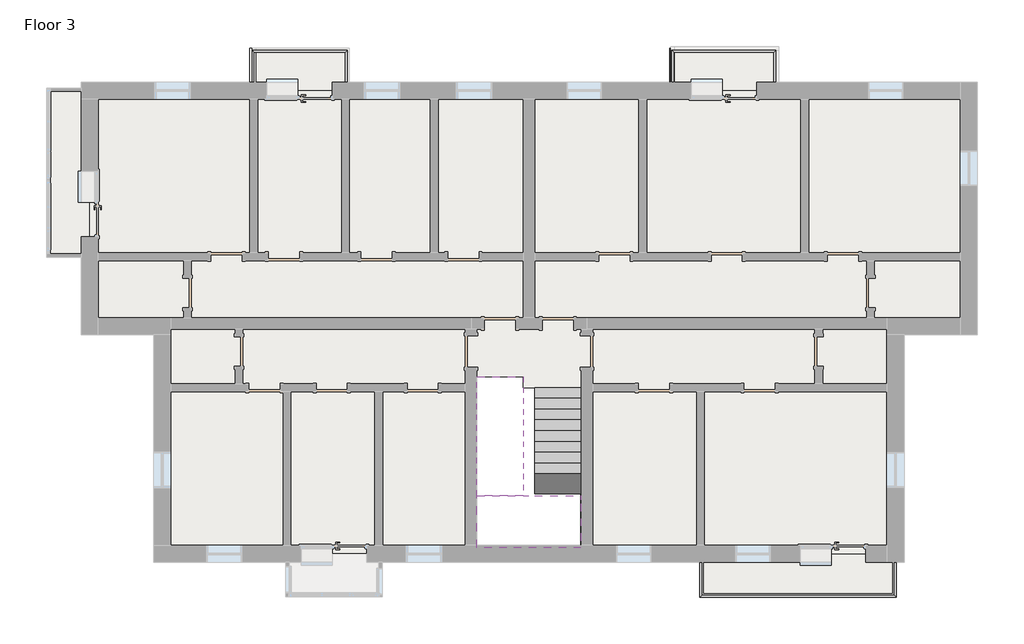
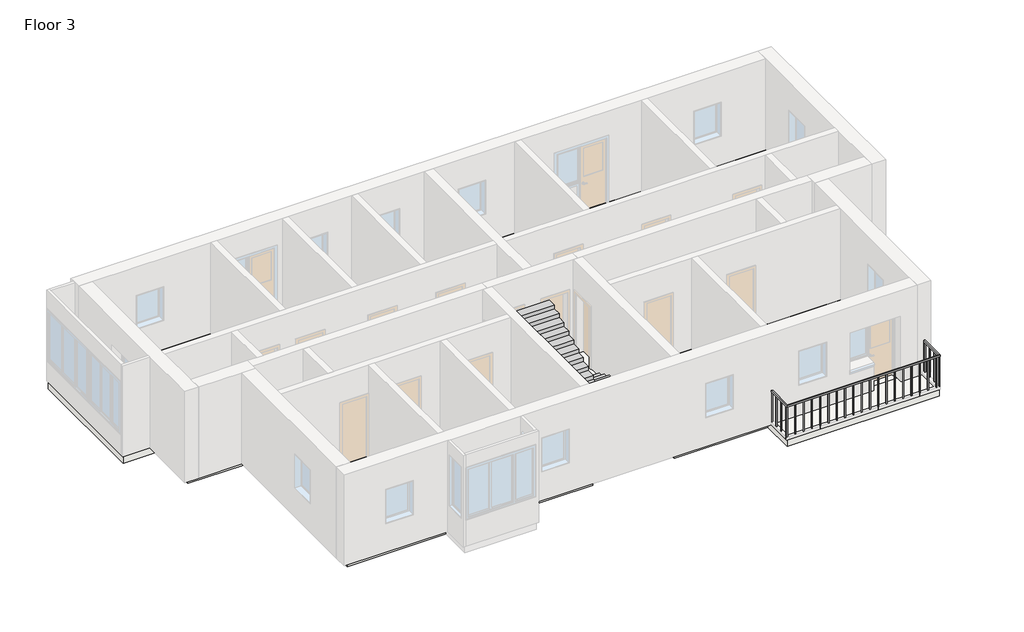
# One storey, part 3 of 3: 6 slabs, 3 railings, 2 stair flights.
"""IFC4 building model written with IfcOpenShell, lengths in millimetres."""

from ifc_helpers import new_model, si_unit, frame, origin, place, context, project, spatial, polyline, outline, extrude, faceted_brep, element, save

model = new_model("IFC4")

# Units and contexts
model_context = context("Model", 3, world=origin())
ifc_project = project(units=[si_unit("LENGTHUNIT", "METRE", prefix="MILLI")], contexts=[model_context])

# Site, building, storey
site = spatial("IfcSite", under=ifc_project)
building = spatial("IfcBuilding", under=site)
storey = spatial("IfcBuildingStorey", under=building, Name="Floor 3", Elevation=6400.0)

# Railings
placement = place(None, origin())
element("IfcRailing", 1, at=placement, inside=storey, context=model_context, shape_type="SolidModel", body=[
    faceted_brep([(-7305.7410247, -3724.7980841, 7600.0), (-7305.7410247, -3724.7980841, 7550.0), (-7255.7410247, -3724.7980841, 7550.0), (-7255.7410247, -3724.7980841, 7600.0), (-7305.7410247, -2824.8093829, 7600.0), (-7305.7410247, -2824.8093829, 7550.0), (-7255.7410247, -2874.8093829, 7550.0), (-7255.7410247, -2874.8093829, 7600.0), (-4835.7410247, -2824.8093829, 7600.0), (-4835.7410247, -2824.8093829, 7550.0), (-4885.7410247, -2874.8093829, 7550.0), (-4885.7410247, -2874.8093829, 7600.0), (-4835.7410247, -3724.7980841, 7600.0), (-4885.7410247, -3724.7980841, 7600.0), (-4885.7410247, -3724.7980841, 7550.0), (-4835.7410247, -3724.7980841, 7550.0)], [[[0, 1, 2, 3]], [[1, 0, 4, 5]], [[2, 1, 5, 6]], [[3, 2, 6, 7]], [[0, 3, 7, 4]], [[5, 4, 8, 9]], [[6, 5, 9, 10]], [[7, 6, 10, 11]], [[4, 7, 11, 8]], [[12, 13, 14, 15]], [[9, 8, 12, 15]], [[10, 9, 15, 14]], [[11, 10, 14, 13]], [[8, 11, 13, 12]]]),
    extrude(outline(polyline([(-4873.2410247, -3662.3093829), (-4848.2410247, -3662.3093829), (-4848.2410247, -3687.3093829), (-4873.2410247, -3687.3093829), (-4873.2410247, -3662.3093829)])), frame((0.0, 0.0, 6400.0), z_axis=(0.0, 0.0, 1.0), x_axis=(1.0, 0.0, 0.0)), (0.0, 0.0, 1.0), 1150.0),
    extrude(outline(polyline([(-4873.2410247, -3387.3093829), (-4848.2410247, -3387.3093829), (-4848.2410247, -3412.3093829), (-4873.2410247, -3412.3093829), (-4873.2410247, -3387.3093829)])), frame((0.0, 0.0, 6400.0), z_axis=(0.0, 0.0, 1.0), x_axis=(1.0, 0.0, 0.0)), (0.0, 0.0, 1.0), 1150.0),
    extrude(outline(polyline([(-4873.2410247, -3112.3093829), (-4848.2410247, -3112.3093829), (-4848.2410247, -3137.3093829), (-4873.2410247, -3137.3093829), (-4873.2410247, -3112.3093829)])), frame((0.0, 0.0, 6400.0), z_axis=(0.0, 0.0, 1.0), x_axis=(1.0, 0.0, 0.0)), (0.0, 0.0, 1.0), 1150.0),
    extrude(outline(polyline([(-5093.2410247, -2862.3093829), (-5093.2410247, -2837.3093829), (-5068.2410247, -2837.3093829), (-5068.2410247, -2862.3093829), (-5093.2410247, -2862.3093829)])), frame((0.0, 0.0, 6400.0), z_axis=(0.0, 0.0, 1.0), x_axis=(1.0, 0.0, 0.0)), (0.0, 0.0, 1.0), 1150.0),
    extrude(outline(polyline([(-5368.2410247, -2862.3093829), (-5368.2410247, -2837.3093829), (-5343.2410247, -2837.3093829), (-5343.2410247, -2862.3093829), (-5368.2410247, -2862.3093829)])), frame((0.0, 0.0, 6400.0), z_axis=(0.0, 0.0, 1.0), x_axis=(1.0, 0.0, 0.0)), (0.0, 0.0, 1.0), 1150.0),
    extrude(outline(polyline([(-5643.2410247, -2862.3093829), (-5643.2410247, -2837.3093829), (-5618.2410247, -2837.3093829), (-5618.2410247, -2862.3093829), (-5643.2410247, -2862.3093829)])), frame((0.0, 0.0, 6400.0), z_axis=(0.0, 0.0, 1.0), x_axis=(1.0, 0.0, 0.0)), (0.0, 0.0, 1.0), 1150.0),
    extrude(outline(polyline([(-5918.2410247, -2862.3093829), (-5918.2410247, -2837.3093829), (-5893.2410247, -2837.3093829), (-5893.2410247, -2862.3093829), (-5918.2410247, -2862.3093829)])), frame((0.0, 0.0, 6400.0), z_axis=(0.0, 0.0, 1.0), x_axis=(1.0, 0.0, 0.0)), (0.0, 0.0, 1.0), 1150.0),
    extrude(outline(polyline([(-6193.2410247, -2862.3093829), (-6193.2410247, -2837.3093829), (-6168.2410247, -2837.3093829), (-6168.2410247, -2862.3093829), (-6193.2410247, -2862.3093829)])), frame((0.0, 0.0, 6400.0), z_axis=(0.0, 0.0, 1.0), x_axis=(1.0, 0.0, 0.0)), (0.0, 0.0, 1.0), 1150.0),
    extrude(outline(polyline([(-6468.2410247, -2862.3093829), (-6468.2410247, -2837.3093829), (-6443.2410247, -2837.3093829), (-6443.2410247, -2862.3093829), (-6468.2410247, -2862.3093829)])), frame((0.0, 0.0, 6400.0), z_axis=(0.0, 0.0, 1.0), x_axis=(1.0, 0.0, 0.0)), (0.0, 0.0, 1.0), 1150.0),
    extrude(outline(polyline([(-6743.2410247, -2862.3093829), (-6743.2410247, -2837.3093829), (-6718.2410247, -2837.3093829), (-6718.2410247, -2862.3093829), (-6743.2410247, -2862.3093829)])), frame((0.0, 0.0, 6400.0), z_axis=(0.0, 0.0, 1.0), x_axis=(1.0, 0.0, 0.0)), (0.0, 0.0, 1.0), 1150.0),
    extrude(outline(polyline([(-7018.2410247, -2862.3093829), (-7018.2410247, -2837.3093829), (-6993.2410247, -2837.3093829), (-6993.2410247, -2862.3093829), (-7018.2410247, -2862.3093829)])), frame((0.0, 0.0, 6400.0), z_axis=(0.0, 0.0, 1.0), x_axis=(1.0, 0.0, 0.0)), (0.0, 0.0, 1.0), 1150.0),
    extrude(outline(polyline([(-7268.2410247, -2912.2980841), (-7293.2410247, -2912.2980841), (-7293.2410247, -2887.2980841), (-7268.2410247, -2887.2980841), (-7268.2410247, -2912.2980841)])), frame((0.0, 0.0, 6400.0), z_axis=(0.0, 0.0, 1.0), x_axis=(1.0, 0.0, 0.0)), (0.0, 0.0, 1.0), 1150.0),
    extrude(outline(polyline([(-7268.2410247, -3187.2980841), (-7293.2410247, -3187.2980841), (-7293.2410247, -3162.2980841), (-7268.2410247, -3162.2980841), (-7268.2410247, -3187.2980841)])), frame((0.0, 0.0, 6400.0), z_axis=(0.0, 0.0, 1.0), x_axis=(1.0, 0.0, 0.0)), (0.0, 0.0, 1.0), 1150.0),
    extrude(outline(polyline([(-7268.2410247, -3462.2980841), (-7293.2410247, -3462.2980841), (-7293.2410247, -3437.2980841), (-7268.2410247, -3437.2980841), (-7268.2410247, -3462.2980841)])), frame((0.0, 0.0, 6400.0), z_axis=(0.0, 0.0, 1.0), x_axis=(1.0, 0.0, 0.0)), (0.0, 0.0, 1.0), 1150.0),
    extrude(outline(polyline([(-4873.2410247, -2862.3093829), (-4873.2410247, -2837.3093829), (-4848.2410247, -2837.3093829), (-4848.2410247, -2862.3093829), (-4873.2410247, -2862.3093829)])), frame((0.0, 0.0, 6400.0), z_axis=(0.0, 0.0, 1.0), x_axis=(1.0, 0.0, 0.0)), (0.0, 0.0, 1.0), 1150.0),
    extrude(outline(polyline([(-7268.2410247, -2862.3093829), (-7293.2410247, -2862.3093829), (-7293.2410247, -2837.3093829), (-7268.2410247, -2837.3093829), (-7268.2410247, -2862.3093829)])), frame((0.0, 0.0, 6400.0), z_axis=(0.0, 0.0, 1.0), x_axis=(1.0, 0.0, 0.0)), (0.0, 0.0, 1.0), 1150.0),
    extrude(outline(polyline([(-4873.2410247, -3699.7980841), (-4848.2410247, -3699.7980841), (-4848.2410247, -3724.7980841), (-4873.2410247, -3724.7980841), (-4873.2410247, -3699.7980841)])), frame((0.0, 0.0, 6400.0), z_axis=(0.0, 0.0, 1.0), x_axis=(1.0, 0.0, 0.0)), (0.0, 0.0, 1.0), 1150.0),
    extrude(outline(polyline([(-7268.2410247, -3724.7980841), (-7293.2410247, -3724.7980841), (-7293.2410247, -3699.7980841), (-7268.2410247, -3699.7980841), (-7268.2410247, -3724.7980841)])), frame((0.0, 0.0, 6400.0), z_axis=(0.0, 0.0, 1.0), x_axis=(1.0, 0.0, 0.0)), (0.0, 0.0, 1.0), 1150.0),
])
element("IfcRailing", 2, at=placement, inside=storey, context=model_context, shape_type="SolidModel", body=[
    faceted_brep([(3569.2589753, -3724.7980841, 7600.0), (3569.2589753, -3724.7980841, 7550.0), (3619.2589753, -3724.7980841, 7550.0), (3619.2589753, -3724.7980841, 7600.0), (3569.2589753, -2824.8093829, 7600.0), (3569.2589753, -2824.8093829, 7550.0), (3619.2589753, -2874.8093829, 7550.0), (3619.2589753, -2874.8093829, 7600.0), (6269.2589753, -2824.8093829, 7600.0), (6269.2589753, -2824.8093829, 7550.0), (6219.2589753, -2874.8093829, 7550.0), (6219.2589753, -2874.8093829, 7600.0), (6269.2589753, -3724.7980841, 7600.0), (6219.2589753, -3724.7980841, 7600.0), (6219.2589753, -3724.7980841, 7550.0), (6269.2589753, -3724.7980841, 7550.0)], [[[0, 1, 2, 3]], [[1, 0, 4, 5]], [[2, 1, 5, 6]], [[3, 2, 6, 7]], [[0, 3, 7, 4]], [[5, 4, 8, 9]], [[6, 5, 9, 10]], [[7, 6, 10, 11]], [[4, 7, 11, 8]], [[12, 13, 14, 15]], [[9, 8, 12, 15]], [[10, 9, 15, 14]], [[11, 10, 14, 13]], [[8, 11, 13, 12]]]),
    extrude(outline(polyline([(6231.7589753, -3662.3093829), (6256.7589753, -3662.3093829), (6256.7589753, -3687.3093829), (6231.7589753, -3687.3093829), (6231.7589753, -3662.3093829)])), frame((0.0, 0.0, 6400.0), z_axis=(0.0, 0.0, 1.0), x_axis=(1.0, 0.0, 0.0)), (0.0, 0.0, 1.0), 1150.0),
    extrude(outline(polyline([(6231.7589753, -3387.3093829), (6256.7589753, -3387.3093829), (6256.7589753, -3412.3093829), (6231.7589753, -3412.3093829), (6231.7589753, -3387.3093829)])), frame((0.0, 0.0, 6400.0), z_axis=(0.0, 0.0, 1.0), x_axis=(1.0, 0.0, 0.0)), (0.0, 0.0, 1.0), 1150.0),
    extrude(outline(polyline([(6231.7589753, -3112.3093829), (6256.7589753, -3112.3093829), (6256.7589753, -3137.3093829), (6231.7589753, -3137.3093829), (6231.7589753, -3112.3093829)])), frame((0.0, 0.0, 6400.0), z_axis=(0.0, 0.0, 1.0), x_axis=(1.0, 0.0, 0.0)), (0.0, 0.0, 1.0), 1150.0),
    extrude(outline(polyline([(6056.7589753, -2862.3093829), (6056.7589753, -2837.3093829), (6081.7589753, -2837.3093829), (6081.7589753, -2862.3093829), (6056.7589753, -2862.3093829)])), frame((0.0, 0.0, 6400.0), z_axis=(0.0, 0.0, 1.0), x_axis=(1.0, 0.0, 0.0)), (0.0, 0.0, 1.0), 1150.0),
    extrude(outline(polyline([(5781.7589753, -2862.3093829), (5781.7589753, -2837.3093829), (5806.7589753, -2837.3093829), (5806.7589753, -2862.3093829), (5781.7589753, -2862.3093829)])), frame((0.0, 0.0, 6400.0), z_axis=(0.0, 0.0, 1.0), x_axis=(1.0, 0.0, 0.0)), (0.0, 0.0, 1.0), 1150.0),
    extrude(outline(polyline([(5506.7589753, -2862.3093829), (5506.7589753, -2837.3093829), (5531.7589753, -2837.3093829), (5531.7589753, -2862.3093829), (5506.7589753, -2862.3093829)])), frame((0.0, 0.0, 6400.0), z_axis=(0.0, 0.0, 1.0), x_axis=(1.0, 0.0, 0.0)), (0.0, 0.0, 1.0), 1150.0),
    extrude(outline(polyline([(5231.7589753, -2862.3093829), (5231.7589753, -2837.3093829), (5256.7589753, -2837.3093829), (5256.7589753, -2862.3093829), (5231.7589753, -2862.3093829)])), frame((0.0, 0.0, 6400.0), z_axis=(0.0, 0.0, 1.0), x_axis=(1.0, 0.0, 0.0)), (0.0, 0.0, 1.0), 1150.0),
    extrude(outline(polyline([(4956.7589753, -2862.3093829), (4956.7589753, -2837.3093829), (4981.7589753, -2837.3093829), (4981.7589753, -2862.3093829), (4956.7589753, -2862.3093829)])), frame((0.0, 0.0, 6400.0), z_axis=(0.0, 0.0, 1.0), x_axis=(1.0, 0.0, 0.0)), (0.0, 0.0, 1.0), 1150.0),
    extrude(outline(polyline([(4681.7589753, -2862.3093829), (4681.7589753, -2837.3093829), (4706.7589753, -2837.3093829), (4706.7589753, -2862.3093829), (4681.7589753, -2862.3093829)])), frame((0.0, 0.0, 6400.0), z_axis=(0.0, 0.0, 1.0), x_axis=(1.0, 0.0, 0.0)), (0.0, 0.0, 1.0), 1150.0),
    extrude(outline(polyline([(4406.7589753, -2862.3093829), (4406.7589753, -2837.3093829), (4431.7589753, -2837.3093829), (4431.7589753, -2862.3093829), (4406.7589753, -2862.3093829)])), frame((0.0, 0.0, 6400.0), z_axis=(0.0, 0.0, 1.0), x_axis=(1.0, 0.0, 0.0)), (0.0, 0.0, 1.0), 1150.0),
    extrude(outline(polyline([(4131.7589753, -2862.3093829), (4131.7589753, -2837.3093829), (4156.7589753, -2837.3093829), (4156.7589753, -2862.3093829), (4131.7589753, -2862.3093829)])), frame((0.0, 0.0, 6400.0), z_axis=(0.0, 0.0, 1.0), x_axis=(1.0, 0.0, 0.0)), (0.0, 0.0, 1.0), 1150.0),
    extrude(outline(polyline([(3856.7589753, -2862.3093829), (3856.7589753, -2837.3093829), (3881.7589753, -2837.3093829), (3881.7589753, -2862.3093829), (3856.7589753, -2862.3093829)])), frame((0.0, 0.0, 6400.0), z_axis=(0.0, 0.0, 1.0), x_axis=(1.0, 0.0, 0.0)), (0.0, 0.0, 1.0), 1150.0),
    extrude(outline(polyline([(3606.7589753, -2912.2980841), (3581.7589753, -2912.2980841), (3581.7589753, -2887.2980841), (3606.7589753, -2887.2980841), (3606.7589753, -2912.2980841)])), frame((0.0, 0.0, 6400.0), z_axis=(0.0, 0.0, 1.0), x_axis=(1.0, 0.0, 0.0)), (0.0, 0.0, 1.0), 1150.0),
    extrude(outline(polyline([(3606.7589753, -3187.2980841), (3581.7589753, -3187.2980841), (3581.7589753, -3162.2980841), (3606.7589753, -3162.2980841), (3606.7589753, -3187.2980841)])), frame((0.0, 0.0, 6400.0), z_axis=(0.0, 0.0, 1.0), x_axis=(1.0, 0.0, 0.0)), (0.0, 0.0, 1.0), 1150.0),
    extrude(outline(polyline([(3606.7589753, -3462.2980841), (3581.7589753, -3462.2980841), (3581.7589753, -3437.2980841), (3606.7589753, -3437.2980841), (3606.7589753, -3462.2980841)])), frame((0.0, 0.0, 6400.0), z_axis=(0.0, 0.0, 1.0), x_axis=(1.0, 0.0, 0.0)), (0.0, 0.0, 1.0), 1150.0),
    extrude(outline(polyline([(6231.7589753, -2862.3093829), (6231.7589753, -2837.3093829), (6256.7589753, -2837.3093829), (6256.7589753, -2862.3093829), (6231.7589753, -2862.3093829)])), frame((0.0, 0.0, 6400.0), z_axis=(0.0, 0.0, 1.0), x_axis=(1.0, 0.0, 0.0)), (0.0, 0.0, 1.0), 1150.0),
    extrude(outline(polyline([(3606.7589753, -2862.3093829), (3581.7589753, -2862.3093829), (3581.7589753, -2837.3093829), (3606.7589753, -2837.3093829), (3606.7589753, -2862.3093829)])), frame((0.0, 0.0, 6400.0), z_axis=(0.0, 0.0, 1.0), x_axis=(1.0, 0.0, 0.0)), (0.0, 0.0, 1.0), 1150.0),
    extrude(outline(polyline([(6231.7589753, -3699.7980841), (6256.7589753, -3699.7980841), (6256.7589753, -3724.7980841), (6231.7589753, -3724.7980841), (6231.7589753, -3699.7980841)])), frame((0.0, 0.0, 6400.0), z_axis=(0.0, 0.0, 1.0), x_axis=(1.0, 0.0, 0.0)), (0.0, 0.0, 1.0), 1150.0),
    extrude(outline(polyline([(3606.7589753, -3724.7980841), (3581.7589753, -3724.7980841), (3581.7589753, -3699.7980841), (3606.7589753, -3699.7980841), (3606.7589753, -3724.7980841)])), frame((0.0, 0.0, 6400.0), z_axis=(0.0, 0.0, 1.0), x_axis=(1.0, 0.0, 0.0)), (0.0, 0.0, 1.0), 1150.0),
])
element("IfcRailing", 3, at=placement, inside=storey, context=model_context, shape_type="SolidModel", body=[
    faceted_brep([(4344.2589753, -16099.7980841, 7600.0), (4344.2589753, -16099.7980841, 7550.0), (4294.2589753, -16099.7980841, 7550.0), (4294.2589753, -16099.7980841, 7600.0), (4344.2589753, -16949.7980841, 7600.0), (4344.2589753, -16949.7980841, 7550.0), (4294.2589753, -16999.7980841, 7550.0), (4294.2589753, -16999.7980841, 7600.0), (9344.2589753, -16949.7980841, 7600.0), (9344.2589753, -16949.7980841, 7550.0), (9394.2589753, -16999.7980841, 7550.0), (9394.2589753, -16999.7980841, 7600.0), (9344.2589753, -16099.7980841, 7600.0), (9394.2589753, -16099.7980841, 7600.0), (9394.2589753, -16099.7980841, 7550.0), (9344.2589753, -16099.7980841, 7550.0)], [[[0, 1, 2, 3]], [[1, 0, 4, 5]], [[2, 1, 5, 6]], [[3, 2, 6, 7]], [[0, 3, 7, 4]], [[5, 4, 8, 9]], [[6, 5, 9, 10]], [[7, 6, 10, 11]], [[4, 7, 11, 8]], [[12, 13, 14, 15]], [[9, 8, 12, 15]], [[10, 9, 15, 14]], [[11, 10, 14, 13]], [[8, 11, 13, 12]]]),
    extrude(outline(polyline([(9381.7589753, -16162.2980841), (9356.7589753, -16162.2980841), (9356.7589753, -16137.2980841), (9381.7589753, -16137.2980841), (9381.7589753, -16162.2980841)])), frame((0.0, 0.0, 6400.0), z_axis=(0.0, 0.0, 1.0), x_axis=(1.0, 0.0, 0.0)), (0.0, 0.0, 1.0), 1150.0),
    extrude(outline(polyline([(9381.7589753, -16437.2980841), (9356.7589753, -16437.2980841), (9356.7589753, -16412.2980841), (9381.7589753, -16412.2980841), (9381.7589753, -16437.2980841)])), frame((0.0, 0.0, 6400.0), z_axis=(0.0, 0.0, 1.0), x_axis=(1.0, 0.0, 0.0)), (0.0, 0.0, 1.0), 1150.0),
    extrude(outline(polyline([(9381.7589753, -16712.2980841), (9356.7589753, -16712.2980841), (9356.7589753, -16687.2980841), (9381.7589753, -16687.2980841), (9381.7589753, -16712.2980841)])), frame((0.0, 0.0, 6400.0), z_axis=(0.0, 0.0, 1.0), x_axis=(1.0, 0.0, 0.0)), (0.0, 0.0, 1.0), 1150.0),
    extrude(outline(polyline([(9256.7589753, -16987.2980841), (9256.7589753, -16962.2980841), (9281.7589753, -16962.2980841), (9281.7589753, -16987.2980841), (9256.7589753, -16987.2980841)])), frame((0.0, 0.0, 6400.0), z_axis=(0.0, 0.0, 1.0), x_axis=(1.0, 0.0, 0.0)), (0.0, 0.0, 1.0), 1150.0),
    extrude(outline(polyline([(8981.7589753, -16987.2980841), (8981.7589753, -16962.2980841), (9006.7589753, -16962.2980841), (9006.7589753, -16987.2980841), (8981.7589753, -16987.2980841)])), frame((0.0, 0.0, 6400.0), z_axis=(0.0, 0.0, 1.0), x_axis=(1.0, 0.0, 0.0)), (0.0, 0.0, 1.0), 1150.0),
    extrude(outline(polyline([(8706.7589753, -16987.2980841), (8706.7589753, -16962.2980841), (8731.7589753, -16962.2980841), (8731.7589753, -16987.2980841), (8706.7589753, -16987.2980841)])), frame((0.0, 0.0, 6400.0), z_axis=(0.0, 0.0, 1.0), x_axis=(1.0, 0.0, 0.0)), (0.0, 0.0, 1.0), 1150.0),
    extrude(outline(polyline([(8431.7589753, -16987.2980841), (8431.7589753, -16962.2980841), (8456.7589753, -16962.2980841), (8456.7589753, -16987.2980841), (8431.7589753, -16987.2980841)])), frame((0.0, 0.0, 6400.0), z_axis=(0.0, 0.0, 1.0), x_axis=(1.0, 0.0, 0.0)), (0.0, 0.0, 1.0), 1150.0),
    extrude(outline(polyline([(8156.7589753, -16987.2980841), (8156.7589753, -16962.2980841), (8181.7589753, -16962.2980841), (8181.7589753, -16987.2980841), (8156.7589753, -16987.2980841)])), frame((0.0, 0.0, 6400.0), z_axis=(0.0, 0.0, 1.0), x_axis=(1.0, 0.0, 0.0)), (0.0, 0.0, 1.0), 1150.0),
    extrude(outline(polyline([(7881.7589753, -16987.2980841), (7881.7589753, -16962.2980841), (7906.7589753, -16962.2980841), (7906.7589753, -16987.2980841), (7881.7589753, -16987.2980841)])), frame((0.0, 0.0, 6400.0), z_axis=(0.0, 0.0, 1.0), x_axis=(1.0, 0.0, 0.0)), (0.0, 0.0, 1.0), 1150.0),
    extrude(outline(polyline([(7606.7589753, -16987.2980841), (7606.7589753, -16962.2980841), (7631.7589753, -16962.2980841), (7631.7589753, -16987.2980841), (7606.7589753, -16987.2980841)])), frame((0.0, 0.0, 6400.0), z_axis=(0.0, 0.0, 1.0), x_axis=(1.0, 0.0, 0.0)), (0.0, 0.0, 1.0), 1150.0),
    extrude(outline(polyline([(7331.7589753, -16987.2980841), (7331.7589753, -16962.2980841), (7356.7589753, -16962.2980841), (7356.7589753, -16987.2980841), (7331.7589753, -16987.2980841)])), frame((0.0, 0.0, 6400.0), z_axis=(0.0, 0.0, 1.0), x_axis=(1.0, 0.0, 0.0)), (0.0, 0.0, 1.0), 1150.0),
    extrude(outline(polyline([(7056.7589753, -16987.2980841), (7056.7589753, -16962.2980841), (7081.7589753, -16962.2980841), (7081.7589753, -16987.2980841), (7056.7589753, -16987.2980841)])), frame((0.0, 0.0, 6400.0), z_axis=(0.0, 0.0, 1.0), x_axis=(1.0, 0.0, 0.0)), (0.0, 0.0, 1.0), 1150.0),
    extrude(outline(polyline([(6781.7589753, -16987.2980841), (6781.7589753, -16962.2980841), (6806.7589753, -16962.2980841), (6806.7589753, -16987.2980841), (6781.7589753, -16987.2980841)])), frame((0.0, 0.0, 6400.0), z_axis=(0.0, 0.0, 1.0), x_axis=(1.0, 0.0, 0.0)), (0.0, 0.0, 1.0), 1150.0),
    extrude(outline(polyline([(6506.7589753, -16987.2980841), (6506.7589753, -16962.2980841), (6531.7589753, -16962.2980841), (6531.7589753, -16987.2980841), (6506.7589753, -16987.2980841)])), frame((0.0, 0.0, 6400.0), z_axis=(0.0, 0.0, 1.0), x_axis=(1.0, 0.0, 0.0)), (0.0, 0.0, 1.0), 1150.0),
    extrude(outline(polyline([(6231.7589753, -16987.2980841), (6231.7589753, -16962.2980841), (6256.7589753, -16962.2980841), (6256.7589753, -16987.2980841), (6231.7589753, -16987.2980841)])), frame((0.0, 0.0, 6400.0), z_axis=(0.0, 0.0, 1.0), x_axis=(1.0, 0.0, 0.0)), (0.0, 0.0, 1.0), 1150.0),
    extrude(outline(polyline([(5956.7589753, -16987.2980841), (5956.7589753, -16962.2980841), (5981.7589753, -16962.2980841), (5981.7589753, -16987.2980841), (5956.7589753, -16987.2980841)])), frame((0.0, 0.0, 6400.0), z_axis=(0.0, 0.0, 1.0), x_axis=(1.0, 0.0, 0.0)), (0.0, 0.0, 1.0), 1150.0),
    extrude(outline(polyline([(5681.7589753, -16987.2980841), (5681.7589753, -16962.2980841), (5706.7589753, -16962.2980841), (5706.7589753, -16987.2980841), (5681.7589753, -16987.2980841)])), frame((0.0, 0.0, 6400.0), z_axis=(0.0, 0.0, 1.0), x_axis=(1.0, 0.0, 0.0)), (0.0, 0.0, 1.0), 1150.0),
    extrude(outline(polyline([(5406.7589753, -16987.2980841), (5406.7589753, -16962.2980841), (5431.7589753, -16962.2980841), (5431.7589753, -16987.2980841), (5406.7589753, -16987.2980841)])), frame((0.0, 0.0, 6400.0), z_axis=(0.0, 0.0, 1.0), x_axis=(1.0, 0.0, 0.0)), (0.0, 0.0, 1.0), 1150.0),
    extrude(outline(polyline([(5131.7589753, -16987.2980841), (5131.7589753, -16962.2980841), (5156.7589753, -16962.2980841), (5156.7589753, -16987.2980841), (5131.7589753, -16987.2980841)])), frame((0.0, 0.0, 6400.0), z_axis=(0.0, 0.0, 1.0), x_axis=(1.0, 0.0, 0.0)), (0.0, 0.0, 1.0), 1150.0),
    extrude(outline(polyline([(4856.7589753, -16987.2980841), (4856.7589753, -16962.2980841), (4881.7589753, -16962.2980841), (4881.7589753, -16987.2980841), (4856.7589753, -16987.2980841)])), frame((0.0, 0.0, 6400.0), z_axis=(0.0, 0.0, 1.0), x_axis=(1.0, 0.0, 0.0)), (0.0, 0.0, 1.0), 1150.0),
    extrude(outline(polyline([(4581.7589753, -16987.2980841), (4581.7589753, -16962.2980841), (4606.7589753, -16962.2980841), (4606.7589753, -16987.2980841), (4581.7589753, -16987.2980841)])), frame((0.0, 0.0, 6400.0), z_axis=(0.0, 0.0, 1.0), x_axis=(1.0, 0.0, 0.0)), (0.0, 0.0, 1.0), 1150.0),
    extrude(outline(polyline([(4306.7589753, -16912.2980841), (4331.7589753, -16912.2980841), (4331.7589753, -16937.2980841), (4306.7589753, -16937.2980841), (4306.7589753, -16912.2980841)])), frame((0.0, 0.0, 6400.0), z_axis=(0.0, 0.0, 1.0), x_axis=(1.0, 0.0, 0.0)), (0.0, 0.0, 1.0), 1150.0),
    extrude(outline(polyline([(4306.7589753, -16637.2980841), (4331.7589753, -16637.2980841), (4331.7589753, -16662.2980841), (4306.7589753, -16662.2980841), (4306.7589753, -16637.2980841)])), frame((0.0, 0.0, 6400.0), z_axis=(0.0, 0.0, 1.0), x_axis=(1.0, 0.0, 0.0)), (0.0, 0.0, 1.0), 1150.0),
    extrude(outline(polyline([(4306.7589753, -16362.2980841), (4331.7589753, -16362.2980841), (4331.7589753, -16387.2980841), (4306.7589753, -16387.2980841), (4306.7589753, -16362.2980841)])), frame((0.0, 0.0, 6400.0), z_axis=(0.0, 0.0, 1.0), x_axis=(1.0, 0.0, 0.0)), (0.0, 0.0, 1.0), 1150.0),
    extrude(outline(polyline([(9356.7589753, -16987.2980841), (9356.7589753, -16962.2980841), (9381.7589753, -16962.2980841), (9381.7589753, -16987.2980841), (9356.7589753, -16987.2980841)])), frame((0.0, 0.0, 6400.0), z_axis=(0.0, 0.0, 1.0), x_axis=(1.0, 0.0, 0.0)), (0.0, 0.0, 1.0), 1150.0),
    extrude(outline(polyline([(4306.7589753, -16962.2980841), (4331.7589753, -16962.2980841), (4331.7589753, -16987.2980841), (4306.7589753, -16987.2980841), (4306.7589753, -16962.2980841)])), frame((0.0, 0.0, 6400.0), z_axis=(0.0, 0.0, 1.0), x_axis=(1.0, 0.0, 0.0)), (0.0, 0.0, 1.0), 1150.0),
    extrude(outline(polyline([(9381.7589753, -16124.7980841), (9356.7589753, -16124.7980841), (9356.7589753, -16099.7980841), (9381.7589753, -16099.7980841), (9381.7589753, -16124.7980841)])), frame((0.0, 0.0, 6400.0), z_axis=(0.0, 0.0, 1.0), x_axis=(1.0, 0.0, 0.0)), (0.0, 0.0, 1.0), 1150.0),
    extrude(outline(polyline([(4306.7589753, -16099.7980841), (4331.7589753, -16099.7980841), (4331.7589753, -16124.7980841), (4306.7589753, -16124.7980841), (4306.7589753, -16099.7980841)])), frame((0.0, 0.0, 6400.0), z_axis=(0.0, 0.0, 1.0), x_axis=(1.0, 0.0, 0.0)), (0.0, 0.0, 1.0), 1150.0),
])

# Slabs
element("IfcSlab", 4, at=placement, inside=storey, context=model_context, shape_type="SweptSolid", body=[
    extrude(outline(polyline([(-4780.7410247, -3874.7980841), (6319.2589753, -3874.7980841), (11269.2589753, -3874.7980841), (11269.2589753, -9904.7980841), (9369.2589753, -9904.7980841), (9369.2589753, -15874.7980841), (1219.2589753, -15874.7980841), (1219.2589753, -11567.416921), (-280.7410247, -11567.416921), (-280.7410247, -11287.416921), (-1480.7410247, -11287.416921), (-1480.7410247, -15874.7980841), (-4000.7410247, -15874.7980841), (-9630.7410247, -15874.7980841), (-9630.7410247, -9979.7980841), (-11510.7410247, -9979.7980841), (-11510.7410247, -3874.7980841), (-4780.7410247, -3874.7980841)])), frame((0.0, 0.0, 6160.0), z_axis=(0.0, 0.0, 1.0), x_axis=(1.0, 0.0, 0.0)), (0.0, 0.0, 1.0), 240.0),
])
element("IfcSlab", 5, at=placement, inside=storey, context=model_context, shape_type="Brep", body=[
    faceted_brep([(1219.2589753, -14367.416921, 7930.4347826), (19.2589753, -14367.416921, 7930.4347826), (-280.7410247, -14367.416921, 7930.4347826), (-1480.7410247, -14367.416921, 7930.4347826), (-1480.7410247, -14432.8286304, 7930.4347826), (-1480.7410247, -15724.7980841, 7930.4347826), (1219.2589753, -15724.7980841, 7930.4347826), (1219.2589753, -14582.0052115, 7930.4347826), (1219.2589753, -14367.416921, 7791.3043478), (1219.2589753, -14367.416921, 7623.8070606), (19.2589753, -14367.416921, 7623.8070606), (19.2589753, -14367.416921, 7730.4347826), (-280.7410247, -14367.416921, 7730.4347826), (-280.7410247, -14367.416921, 7762.9374954), (-1480.7410247, -14367.416921, 7762.9374954), (-1480.7410247, -14432.8286304, 7730.4347826), (-1480.7410247, -15724.7980841, 7730.4347826), (1219.2589753, -15724.7980841, 7730.4347826), (1219.2589753, -14582.0052115, 7730.4347826), (-280.7410247, -14432.8286304, 7730.4347826), (19.2589753, -14582.0052115, 7730.4347826)], [[[0, 1, 2, 3, 4, 5, 6, 7]], [[1, 0, 8, 9, 10, 11]], [[2, 1, 11, 12, 13]], [[3, 2, 13, 14]], [[3, 14, 15, 16, 5, 4]], [[6, 5, 16, 17]], [[9, 8, 0, 7, 6, 17, 18]], [[19, 15, 14, 13]], [[19, 12, 11, 20, 18, 17, 16, 15]], [[12, 19, 13]], [[18, 20, 10, 9]], [[20, 11, 10]]]),
])
element("IfcSlab", 6, at=placement, inside=storey, context=model_context, shape_type="SweptSolid", body=[
    extrude(outline(polyline([(3519.2589753, -2774.8093829), (6319.2589753, -2774.8093829), (6319.2589753, -3874.7980841), (3519.2589753, -3874.7980841), (3519.2589753, -2774.8093829)])), frame((0.0, 0.0, 6160.0), z_axis=(0.0, 0.0, 1.0), x_axis=(1.0, 0.0, 0.0)), (0.0, 0.0, 1.0), 240.0),
])
element("IfcSlab", 7, at=placement, inside=storey, context=model_context, shape_type="SweptSolid", body=[
    extrude(outline(polyline([(4319.2589753, -15874.8093829), (9369.2589753, -15874.8093829), (9369.2589753, -16974.7980841), (4319.2589753, -16974.7980841), (4319.2589753, -15874.8093829)])), frame((0.0, 0.0, 6160.0), z_axis=(0.0, 0.0, 1.0), x_axis=(1.0, 0.0, 0.0)), (0.0, 0.0, 1.0), 240.0),
])
element("IfcSlab", 8, at=placement, inside=storey, context=model_context, shape_type="SweptSolid", body=[
    extrude(outline(polyline([(-7360.7410247, -2774.8093829), (-4780.7410247, -2774.8093829), (-4780.7410247, -3874.7980841), (-7360.7410247, -3874.7980841), (-7360.7410247, -2774.8093829)])), frame((0.0, 0.0, 6160.0), z_axis=(0.0, 0.0, 1.0), x_axis=(1.0, 0.0, 0.0)), (0.0, 0.0, 1.0), 240.0),
])
element("IfcSlab", 9, at=placement, inside=storey, context=model_context, shape_type="SweptSolid", body=[
    extrude(outline(polyline([(-12610.7410247, -3874.7980841), (-11510.7410247, -3874.7980841), (-11510.7410247, -8174.8093829), (-12610.7410247, -8174.8093829), (-12610.7410247, -3874.7980841)])), frame((0.0, 0.0, 6160.0), z_axis=(0.0, 0.0, 1.0), x_axis=(1.0, 0.0, 0.0)), (0.0, 0.0, 1.0), 240.0),
])

# Stair flights
element("IfcStairFlight", 10, at=placement, inside=storey, context=model_context, shape_type="Brep", body=[
    faceted_brep([(1219.2589753, -11847.416921, 6539.1304348), (1219.2589753, -11567.416921, 6539.1304348), (19.2589753, -11567.416921, 6539.1304348), (19.2589753, -11847.416921, 6539.1304348), (1219.2589753, -11847.416921, 6400.0), (1219.2589753, -11567.416921, 6400.0), (19.2589753, -11567.416921, 6400.0), (19.2589753, -11847.416921, 6400.0), (1219.2589753, -12127.416921, 6678.2608696), (1219.2589753, -11847.416921, 6678.2608696), (19.2589753, -11847.416921, 6678.2608696), (19.2589753, -12127.416921, 6678.2608696), (1219.2589753, -12127.416921, 6510.7635823), (1219.2589753, -11904.5052115, 6400.0), (19.2589753, -11904.5052115, 6400.0), (19.2589753, -12127.416921, 6510.7635823), (1219.2589753, -12407.416921, 6817.3913043), (1219.2589753, -12127.416921, 6817.3913043), (19.2589753, -12127.416921, 6817.3913043), (19.2589753, -12407.416921, 6817.3913043), (1219.2589753, -12407.416921, 6649.8940171), (19.2589753, -12407.416921, 6649.8940171), (1219.2589753, -12687.416921, 6956.5217391), (1219.2589753, -12407.416921, 6956.5217391), (19.2589753, -12407.416921, 6956.5217391), (19.2589753, -12687.416921, 6956.5217391), (1219.2589753, -12687.416921, 6789.0244519), (19.2589753, -12687.416921, 6789.0244519), (1219.2589753, -12967.416921, 7095.6521739), (1219.2589753, -12687.416921, 7095.6521739), (19.2589753, -12687.416921, 7095.6521739), (19.2589753, -12967.416921, 7095.6521739), (1219.2589753, -12967.416921, 6928.1548867), (19.2589753, -12967.416921, 6928.1548867), (1219.2589753, -13247.416921, 7234.7826087), (1219.2589753, -12967.416921, 7234.7826087), (19.2589753, -12967.416921, 7234.7826087), (19.2589753, -13247.416921, 7234.7826087), (1219.2589753, -13247.416921, 7067.2853215), (19.2589753, -13247.416921, 7067.2853215), (1219.2589753, -13527.416921, 7373.9130435), (1219.2589753, -13247.416921, 7373.9130435), (19.2589753, -13247.416921, 7373.9130435), (19.2589753, -13527.416921, 7373.9130435), (1219.2589753, -13527.416921, 7206.4157562), (19.2589753, -13527.416921, 7206.4157562), (1219.2589753, -13807.416921, 7513.0434783), (1219.2589753, -13527.416921, 7513.0434783), (19.2589753, -13527.416921, 7513.0434783), (19.2589753, -13807.416921, 7513.0434783), (1219.2589753, -13807.416921, 7345.546191), (19.2589753, -13807.416921, 7345.546191), (1219.2589753, -14087.416921, 7652.173913), (1219.2589753, -13807.416921, 7652.173913), (19.2589753, -13807.416921, 7652.173913), (19.2589753, -14087.416921, 7652.173913), (1219.2589753, -14087.416921, 7484.6766258), (19.2589753, -14087.416921, 7484.6766258), (1219.2589753, -14367.416921, 7791.3043478), (1219.2589753, -14087.416921, 7791.3043478), (19.2589753, -14087.416921, 7791.3043478), (19.2589753, -14367.416921, 7791.3043478), (1219.2589753, -14367.416921, 7623.8070606), (19.2589753, -14367.416921, 7623.8070606), (19.2589753, -14367.416921, 7730.4347826)], [[[0, 1, 2, 3]], [[1, 0, 4, 5]], [[2, 1, 5, 6]], [[3, 2, 6, 7]], [[8, 9, 10, 11]], [[4, 0, 9, 8, 12, 13]], [[0, 3, 10, 9]], [[3, 7, 14, 15, 11, 10]], [[16, 17, 18, 19]], [[17, 16, 20, 12, 8]], [[8, 11, 18, 17]], [[19, 18, 11, 15, 21]], [[22, 23, 24, 25]], [[23, 22, 26, 20, 16]], [[16, 19, 24, 23]], [[25, 24, 19, 21, 27]], [[28, 29, 30, 31]], [[29, 28, 32, 26, 22]], [[22, 25, 30, 29]], [[31, 30, 25, 27, 33]], [[34, 35, 36, 37]], [[35, 34, 38, 32, 28]], [[28, 31, 36, 35]], [[37, 36, 31, 33, 39]], [[40, 41, 42, 43]], [[41, 40, 44, 38, 34]], [[34, 37, 42, 41]], [[43, 42, 37, 39, 45]], [[46, 47, 48, 49]], [[47, 46, 50, 44, 40]], [[40, 43, 48, 47]], [[49, 48, 43, 45, 51]], [[52, 53, 54, 55]], [[53, 52, 56, 50, 46]], [[46, 49, 54, 53]], [[55, 54, 49, 51, 57]], [[58, 59, 60, 61]], [[59, 58, 62, 56, 52]], [[52, 55, 60, 59]], [[61, 60, 55, 57, 63, 64]], [[58, 61, 64, 63, 62]], [[5, 4, 13, 14, 7, 6]], [[14, 13, 12, 20, 26, 32, 38, 44, 50, 56, 62, 63, 57, 51, 45, 39, 33, 27, 21, 15]]]),
])
element("IfcStairFlight", 11, at=placement, inside=storey, context=model_context, shape_type="Brep", body=[
    faceted_brep([(-1480.7410247, -14087.416921, 8069.5652174), (-1480.7410247, -14367.416921, 8069.5652174), (-280.7410247, -14367.416921, 8069.5652174), (-280.7410247, -14087.416921, 8069.5652174), (-1480.7410247, -14087.416921, 7902.0679302), (-1480.7410247, -14367.416921, 7762.9374954), (-1480.7410247, -14367.416921, 7930.4347826), (-280.7410247, -14367.416921, 7762.9374954), (-280.7410247, -14087.416921, 7902.0679302), (-1480.7410247, -13807.416921, 8208.6956522), (-1480.7410247, -14087.416921, 8208.6956522), (-280.7410247, -14087.416921, 8208.6956522), (-280.7410247, -13807.416921, 8208.6956522), (-1480.7410247, -13807.416921, 8041.1983649), (-280.7410247, -13807.416921, 8041.1983649), (-1480.7410247, -13527.416921, 8347.826087), (-1480.7410247, -13807.416921, 8347.826087), (-280.7410247, -13807.416921, 8347.826087), (-280.7410247, -13527.416921, 8347.826087), (-1480.7410247, -13527.416921, 8180.3287997), (-280.7410247, -13527.416921, 8180.3287997), (-1480.7410247, -13247.416921, 8486.9565217), (-1480.7410247, -13527.416921, 8486.9565217), (-280.7410247, -13527.416921, 8486.9565217), (-280.7410247, -13247.416921, 8486.9565217), (-1480.7410247, -13247.416921, 8319.4592345), (-280.7410247, -13247.416921, 8319.4592345), (-1480.7410247, -12967.416921, 8626.0869565), (-1480.7410247, -13247.416921, 8626.0869565), (-280.7410247, -13247.416921, 8626.0869565), (-280.7410247, -12967.416921, 8626.0869565), (-1480.7410247, -12967.416921, 8458.5896693), (-280.7410247, -12967.416921, 8458.5896693), (-1480.7410247, -12687.416921, 8765.2173913), (-1480.7410247, -12967.416921, 8765.2173913), (-280.7410247, -12967.416921, 8765.2173913), (-280.7410247, -12687.416921, 8765.2173913), (-1480.7410247, -12687.416921, 8597.7201041), (-280.7410247, -12687.416921, 8597.7201041), (-1480.7410247, -12407.416921, 8904.3478261), (-1480.7410247, -12687.416921, 8904.3478261), (-280.7410247, -12687.416921, 8904.3478261), (-280.7410247, -12407.416921, 8904.3478261), (-1480.7410247, -12407.416921, 8736.8505389), (-280.7410247, -12407.416921, 8736.8505389), (-1480.7410247, -12127.416921, 8875.9809736), (-1480.7410247, -11847.416921, 9015.1114084), (-1480.7410247, -11567.416921, 9154.2418432), (-1480.7410247, -11287.416921, 9293.372278), (-280.7410247, -11287.416921, 9293.372278), (-280.7410247, -11567.416921, 9154.2418432), (-280.7410247, -11847.416921, 9015.1114084), (-280.7410247, -12127.416921, 8875.9809736), (-1480.7410247, -12127.416921, 9043.4782609), (-1480.7410247, -12407.416921, 9043.4782609), (-280.7410247, -12407.416921, 9043.4782609), (-280.7410247, -12127.416921, 9043.4782609), (-1480.7410247, -11847.416921, 9182.6086957), (-1480.7410247, -12127.416921, 9182.6086957), (-280.7410247, -12127.416921, 9182.6086957), (-280.7410247, -11847.416921, 9182.6086957), (-1480.7410247, -11567.416921, 9321.7391304), (-1480.7410247, -11847.416921, 9321.7391304), (-280.7410247, -11847.416921, 9321.7391304), (-280.7410247, -11567.416921, 9321.7391304), (-1480.7410247, -11287.416921, 9460.8695652), (-1480.7410247, -11567.416921, 9460.8695652), (-280.7410247, -11567.416921, 9460.8695652), (-280.7410247, -11287.416921, 9460.8695652)], [[[0, 1, 2, 3]], [[1, 0, 4, 5, 6]], [[2, 1, 6, 5, 7]], [[3, 2, 7, 8]], [[9, 10, 11, 12]], [[10, 9, 13, 4, 0]], [[11, 10, 0, 3]], [[12, 11, 3, 8, 14]], [[15, 16, 17, 18]], [[16, 15, 19, 13, 9]], [[17, 16, 9, 12]], [[18, 17, 12, 14, 20]], [[21, 22, 23, 24]], [[22, 21, 25, 19, 15]], [[23, 22, 15, 18]], [[24, 23, 18, 20, 26]], [[27, 28, 29, 30]], [[28, 27, 31, 25, 21]], [[29, 28, 21, 24]], [[30, 29, 24, 26, 32]], [[33, 34, 35, 36]], [[34, 33, 37, 31, 27]], [[35, 34, 27, 30]], [[36, 35, 30, 32, 38]], [[39, 40, 41, 42]], [[40, 39, 43, 37, 33]], [[41, 40, 33, 36]], [[42, 41, 36, 38, 44]], [[5, 4, 13, 19, 25, 31, 37, 43, 45, 46, 47, 48, 49, 50, 51, 52, 44, 38, 32, 26, 20, 14, 8, 7]], [[53, 54, 55, 56]], [[54, 53, 45, 43, 39]], [[55, 54, 39, 42]], [[56, 55, 42, 44, 52]], [[57, 58, 59, 60]], [[58, 57, 46, 45, 53]], [[59, 58, 53, 56]], [[60, 59, 56, 52, 51]], [[61, 62, 63, 64]], [[62, 61, 47, 46, 57]], [[63, 62, 57, 60]], [[64, 63, 60, 51, 50]], [[65, 66, 67, 68]], [[66, 65, 48, 47, 61]], [[67, 66, 61, 64]], [[68, 67, 64, 50, 49]], [[65, 68, 49, 48]]]),
])

save(model, "model.ifc")
